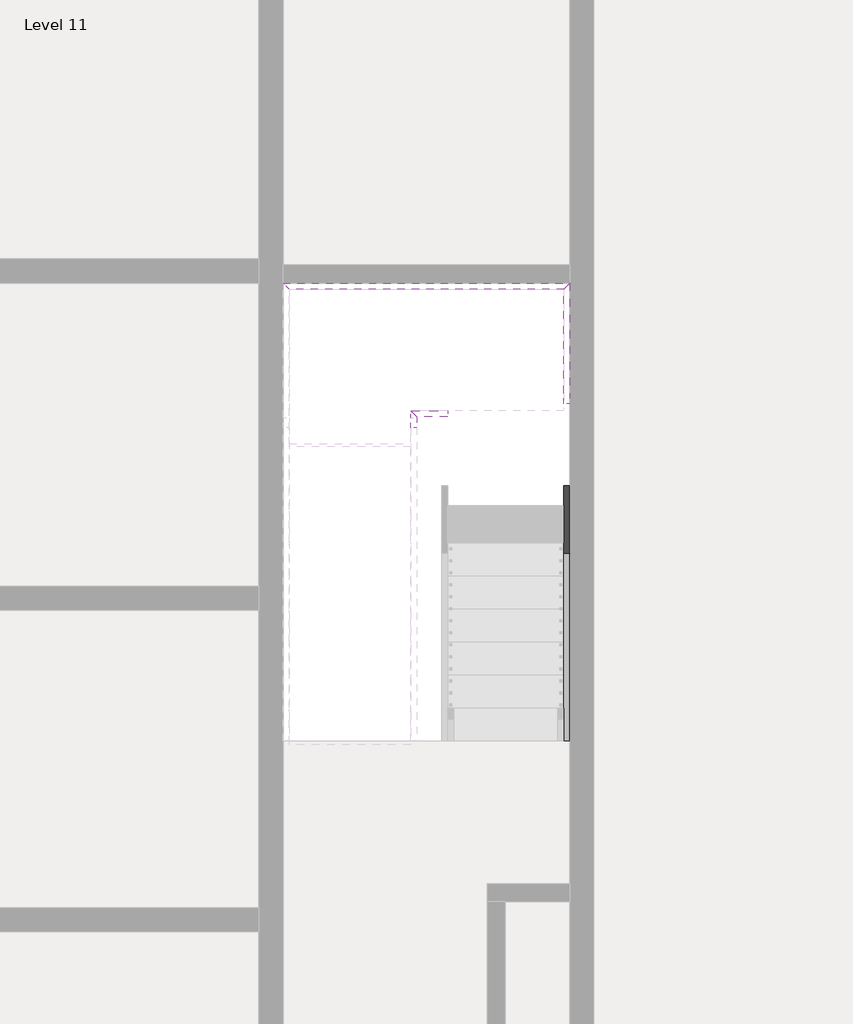
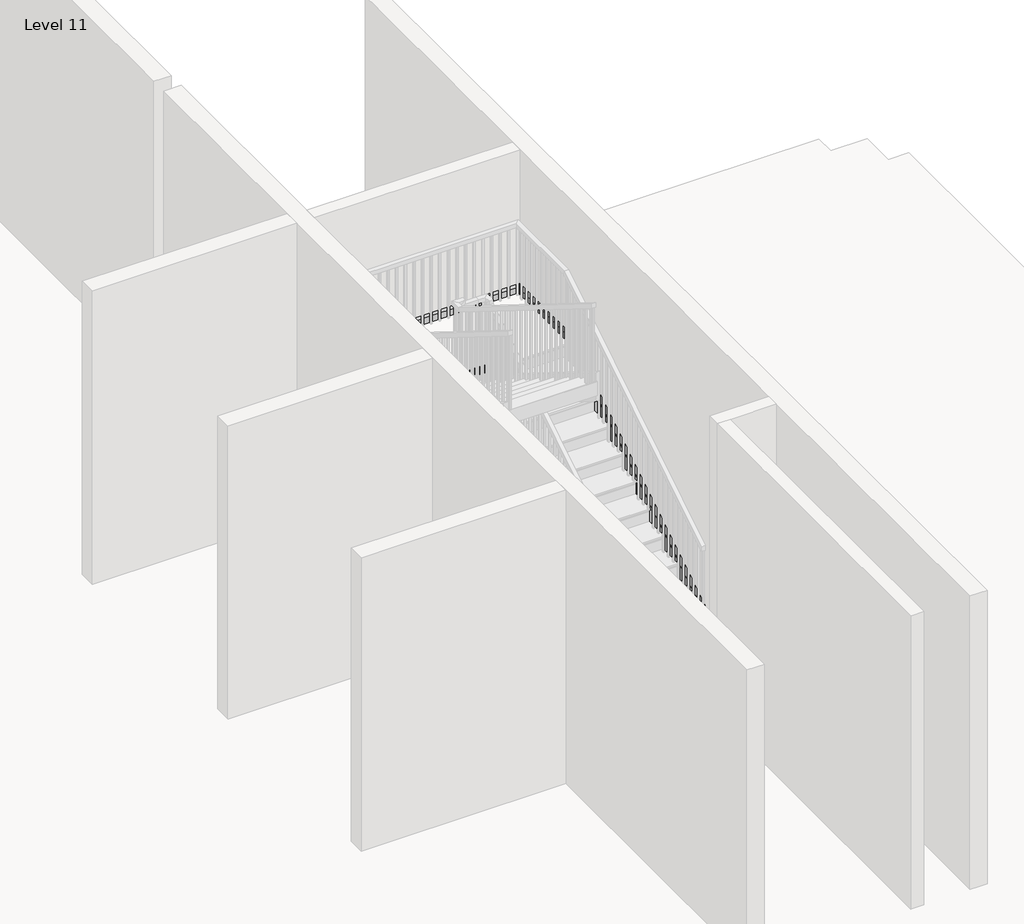
# One storey, part 7 of 7: 5 members.
"""IFC4 building model written with IfcOpenShell, lengths in millimetres."""

from ifc_helpers import new_model, si_unit, frame, origin, place, context, project, spatial, polyline, outline, extrude, faceted_brep, element, save

model = new_model("IFC4")

# Units and contexts
model_context = context("Model", 3, world=origin())
ifc_project = project(units=[si_unit("LENGTHUNIT", "METRE", prefix="MILLI")], contexts=[model_context])

# Site, building, storey
site = spatial("IfcSite", under=ifc_project)
building = spatial("IfcBuilding", under=site)
storey = spatial("IfcBuildingStorey", under=building, Name="Level 11", Elevation=39776.4)

# Members
placement = place(None, origin())
element("IfcMember", 1, ObjectType="Stringer - 2\" Width", at=placement, inside=storey, context=model_context, shape_type="SweptSolid", body=[
    extrude(outline(polyline([(2625.4460566, 39776.4), (2625.4460566, 39990.1528305), (5478.1883909, 41768.4857143), (5565.4112318, 41463.6857143), (2858.7237318, 39776.4), (2625.4460566, 39776.4)])), frame((8505.8069555, 0.0, 0.0), z_axis=(1.0, 0.0, 0.0), x_axis=(0.0, 1.0, 0.0)), (0.0, 0.0, 1.0), 50.8),
])
element("IfcMember", 2, ObjectType="Stringer - 2\" Width", at=placement, inside=storey, context=model_context, shape_type="Brep", body=[
    faceted_brep([(7210.0329301, 5360.7037222, 41768.4857143), (7260.8329301, 5360.7037222, 41768.4857143), (7260.8329301, 5368.6460566, 41768.4857143), (7210.0329301, 5419.4460566, 41768.4857143), (7210.0329301, 5273.4808814, 41463.6857143), (7210.0329301, 5419.4460566, 41463.6857143), (7260.8329301, 5273.4808814, 41463.6857143), (7260.8329301, 5368.6460566, 41463.6857143)], [[[0, 1, 2, 3]], [[4, 0, 3, 5]], [[6, 4, 5, 7]], [[1, 6, 7, 2]], [[1, 0, 4, 6]], [[2, 7, 5, 3]]]),
])
element("IfcMember", 3, ObjectType="Stringer - 2\" Width", at=placement, inside=storey, context=model_context, shape_type="Brep", body=[
    faceted_brep([(8505.8069555, 5478.1883909, 41768.4857143), (8556.6069555, 5478.1883909, 41768.4857143), (8556.6069555, 6498.5720312, 41768.4857143), (8505.8069555, 6447.7720312, 41768.4857143), (8505.8069555, 5565.4112318, 41463.6857143), (8505.8069555, 6447.7720312, 41463.6857143), (8556.6069555, 5565.4112318, 41463.6857143), (8556.6069555, 6498.5720312, 41463.6857143)], [[[0, 1, 2, 3]], [[4, 0, 3, 5]], [[6, 4, 5, 7]], [[1, 6, 7, 2]], [[2, 7, 5, 3]], [[1, 0, 4, 6]]]),
])
element("IfcMember", 4, ObjectType="Stringer - 2\" Width", at=placement, inside=storey, context=model_context, shape_type="SweptSolid", body=[
    extrude(outline(polyline([(8556.6069555, 6498.5720312), (8505.8069555, 6447.7720312), (6181.7069555, 6447.7720312), (6130.9069555, 6498.5720312), (8556.6069555, 6498.5720312)])), frame((0.0, 0.0, 41463.6857143), z_axis=(0.0, 0.0, 1.0), x_axis=(1.0, 0.0, 0.0)), (0.0, 0.0, 1.0), 304.8),
])
element("IfcMember", 5, ObjectType="Stringer - 2\" Width", at=placement, inside=storey, context=model_context, shape_type="SweptSolid", body=[
    extrude(outline(polyline([(7260.8329301, 5368.6460566), (7210.0329301, 5419.4460566), (7524.3171784, 5419.4460566), (7524.3171784, 5368.6460566), (7260.8329301, 5368.6460566)])), frame((0.0, 0.0, 41463.6857143), z_axis=(0.0, 0.0, 1.0), x_axis=(1.0, 0.0, 0.0)), (0.0, 0.0, 1.0), 304.8),
])

save(model, "model.ifc")
